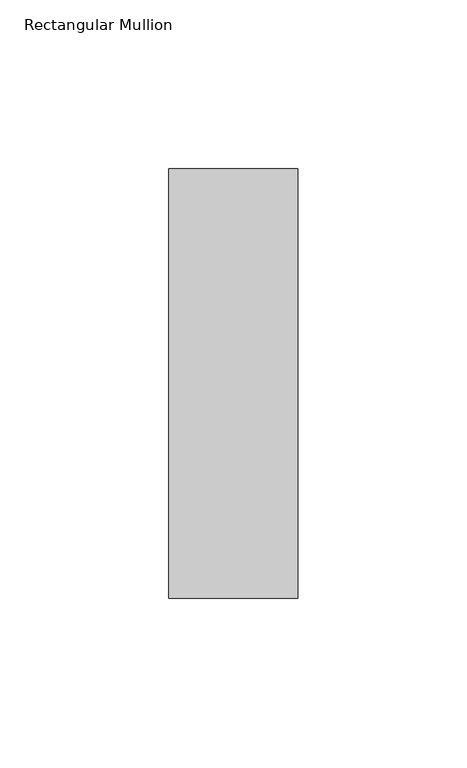
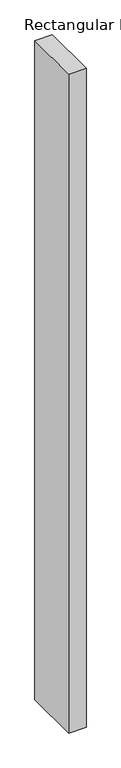
"""IFC4 building model written with IfcOpenShell, lengths in millimetres: member geometry, Rectangular Mullion."""

from ifc_helpers import new_model, si_unit, frame, origin, place, context, project, spatial, polyline, outline, extrude, source, transform, mapped, element, save


def rectangular_mullion_baf93289(model_context):
    return source(origin(), model_context, "Body", "SweptSolid", [
        extrude(outline(polyline([(-38.0864723, -63.5), (-38.0864723, 63.5), (0.0, 63.5), (0.0, -63.5), (-38.0864723, -63.5)])), frame((0.0, 0.0, -1518.4444557), z_axis=(0.0, 0.0, 1.0), x_axis=(1.0, 0.0, 0.0)), (0.0, 0.0, 1.0), 1518.4444557),
    ])


if __name__ == "__main__":
    model = new_model("IFC4")
    model_context = context("Model", 3, world=origin())
    ifc_project = project(units=[si_unit("LENGTHUNIT", "METRE", prefix="MILLI")], contexts=[model_context])
    site = spatial("IfcSite", under=ifc_project)
    building = spatial("IfcBuilding", under=site)
    placement = place(None, origin())
    rectangular_mullion_shape = rectangular_mullion_baf93289(model_context)
    element("IfcMember", 1, ObjectType="Rectangular Mullion", at=placement, inside=building, context=model_context, shape_type="MappedRepresentation", body=[
        mapped(rectangular_mullion_shape, transform((0.0, 0.0, 0.0), x_axis=(1.0, 0.0, 0.0), y_axis=(0.0, 1.0, 0.0), z_axis=(0.0, 0.0, 1.0))),
    ])
    save(model, "model.ifc")
